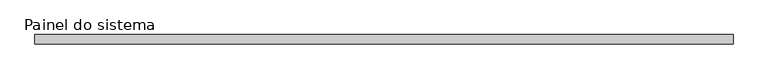
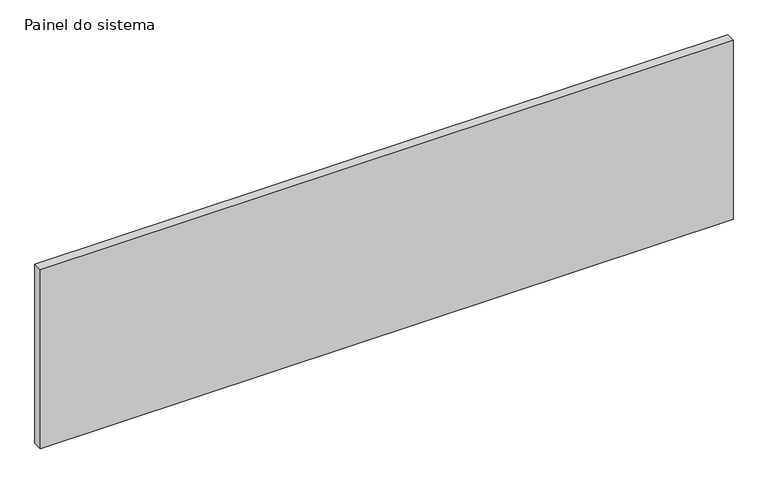
"""IFC4 building model written with IfcOpenShell, lengths in millimetres: plate geometry, Painel do sistema."""

from ifc_helpers import new_model, si_unit, origin, origin_with_axes, place, context, project, spatial, polyline, outline, extrude, source, transform, mapped, element, save


def painel_do_sistema_f4252897(model_context):
    return source(origin(), model_context, "Body", "SweptSolid", [
        extrude(outline(polyline([(915.0000002, 24.5), (-915.0000002, 24.5), (-915.0000002, 49.5), (915.0000002, 49.5), (915.0000002, 24.5)])), origin_with_axes(), (0.0, 0.0, 1.0), 500.0),
    ])


if __name__ == "__main__":
    model = new_model("IFC4")
    model_context = context("Model", 3, world=origin())
    ifc_project = project(units=[si_unit("LENGTHUNIT", "METRE", prefix="MILLI")], contexts=[model_context])
    site = spatial("IfcSite", under=ifc_project)
    building = spatial("IfcBuilding", under=site)
    placement = place(None, origin())
    painel_do_sistema_shape = painel_do_sistema_f4252897(model_context)
    element("IfcPlate", 1, ObjectType="Painel do sistema", at=placement, inside=building, context=model_context, shape_type="MappedRepresentation", body=[
        mapped(painel_do_sistema_shape, transform((0.0, 0.0, 0.0), x_axis=(1.0, 0.0, 0.0), y_axis=(0.0, 1.0, 0.0), z_axis=(0.0, 0.0, 1.0))),
    ])
    save(model, "model.ifc")
